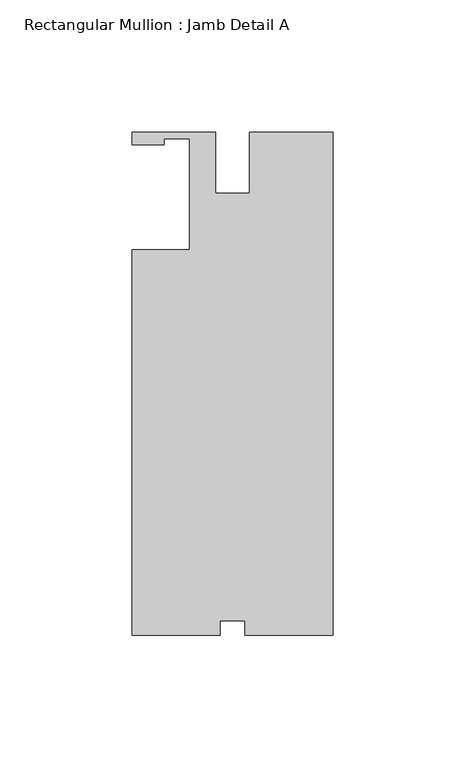
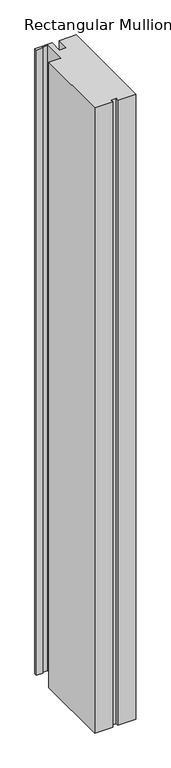
"""IFC4 building model written with IfcOpenShell, lengths in millimetres: member geometry, Rectangular Mullion : Jamb Detail A."""

from ifc_helpers import new_model, si_unit, frame, origin, place, context, project, spatial, polyline, outline, extrude, source, transform, mapped, element, save


def rectangular_mullion_jamb_detail_a_eb348c75(model_context):
    return source(origin(), model_context, "Body", "SweptSolid", [
        extrude(outline(polyline([(-76.2, -19.05), (-54.3306, -19.05), (-54.3306, 22.86), (-64.1096, 22.86), (-64.1096, 20.5232), (-76.2, 20.5232), (-76.2, 25.4), (-44.45, 25.4), (-44.45, 2.3114), (-31.75, 2.3114), (-31.75, 25.4), (0.0, 25.4), (0.0, -165.1), (-33.3248, -165.1), (-33.3248, -159.5882), (-42.8752, -159.5882), (-42.8752, -165.1), (-76.2, -165.1), (-76.2, -19.05)])), frame((0.0, 0.0, -1219.2), z_axis=(0.0, 0.0, 1.0), x_axis=(1.0, 0.0, 0.0)), (0.0, 0.0, 1.0), 1219.2),
    ])


if __name__ == "__main__":
    model = new_model("IFC4")
    model_context = context("Model", 3, world=origin())
    ifc_project = project(units=[si_unit("LENGTHUNIT", "METRE", prefix="MILLI")], contexts=[model_context])
    site = spatial("IfcSite", under=ifc_project)
    building = spatial("IfcBuilding", under=site)
    placement = place(None, origin())
    rectangular_mullion_jamb_detail_a_shape = rectangular_mullion_jamb_detail_a_eb348c75(model_context)
    element("IfcMember", 1, ObjectType="Rectangular Mullion : Jamb Detail A", at=placement, inside=building, context=model_context, shape_type="MappedRepresentation", body=[
        mapped(rectangular_mullion_jamb_detail_a_shape, transform((0.0, 0.0, 0.0), x_axis=(1.0, 0.0, 0.0), y_axis=(0.0, 1.0, 0.0), z_axis=(0.0, 0.0, 1.0))),
    ])
    save(model, "model.ifc")
